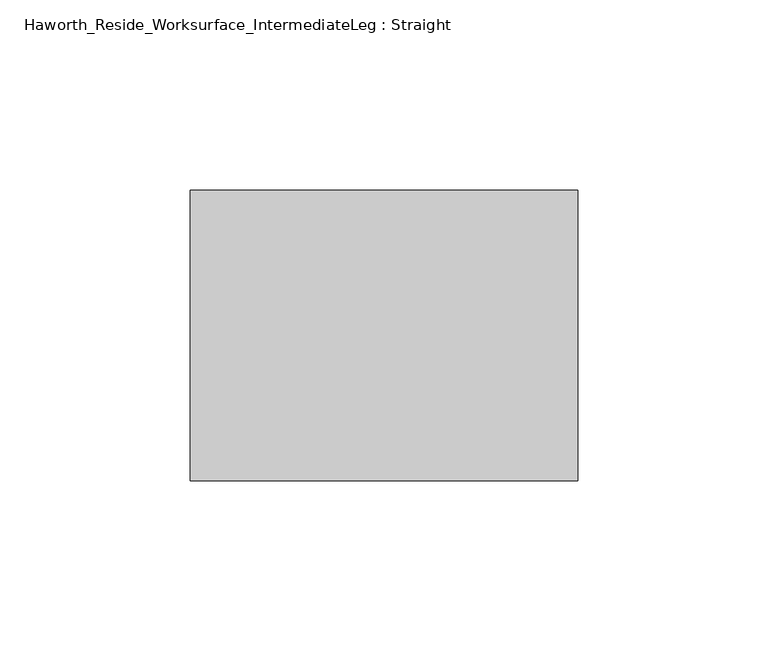
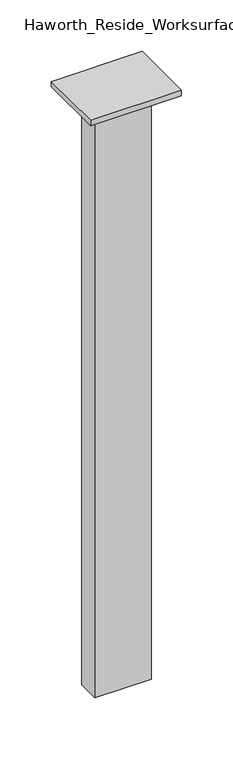
"""IFC4 building model written with IfcOpenShell, lengths in millimetres: furniture geometry, Haworth_Reside_Worksurface_IntermediateLeg : Straight."""

from ifc_helpers import new_model, si_unit, frame, origin, origin_with_axes, place, context, project, spatial, polyline, outline, extrude, source, transform, mapped, element, save


def haworth_reside_worksurface_intermediateleg_straight_470aac7b(model_context):
    return source(origin(), model_context, "Body", "SweptSolid", [
        extrude(outline(polyline([(266.7, -628.4354157), (266.7, -704.6354157), (165.1, -704.6354157), (165.1, -628.4354157), (266.7, -628.4354157)])), frame((0.0, 0.0, 700.0875), z_axis=(0.0, 0.0, 1.0), x_axis=(1.0, 0.0, 0.0)), (0.0, 0.0, 1.0), 6.35),
        extrude(outline(polyline([(247.65, -653.8354157), (247.65, -679.2354157), (184.15, -679.2354157), (184.15, -653.8354157), (247.65, -653.8354157)])), origin_with_axes(), (0.0, 0.0, 1.0), 700.0875),
    ])


if __name__ == "__main__":
    model = new_model("IFC4")
    model_context = context("Model", 3, world=origin())
    ifc_project = project(units=[si_unit("LENGTHUNIT", "METRE", prefix="MILLI")], contexts=[model_context])
    site = spatial("IfcSite", under=ifc_project)
    building = spatial("IfcBuilding", under=site)
    placement = place(None, origin())
    haworth_reside_worksurface_intermediateleg_straight_shape = haworth_reside_worksurface_intermediateleg_straight_470aac7b(model_context)
    element("IfcFurniture", 1, ObjectType="Haworth_Reside_Worksurface_IntermediateLeg : Straight", at=placement, inside=building, context=model_context, shape_type="MappedRepresentation", body=[
        mapped(haworth_reside_worksurface_intermediateleg_straight_shape, transform((0.0, 0.0, 0.0), x_axis=(1.0, 0.0, 0.0), y_axis=(0.0, 1.0, 0.0), z_axis=(0.0, 0.0, 1.0))),
    ])
    save(model, "model.ifc")
